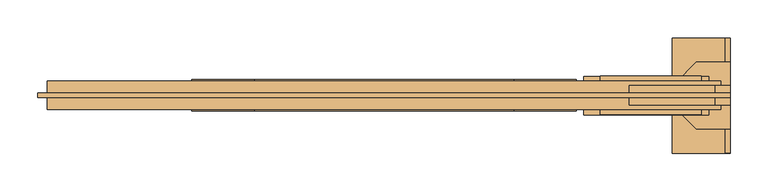
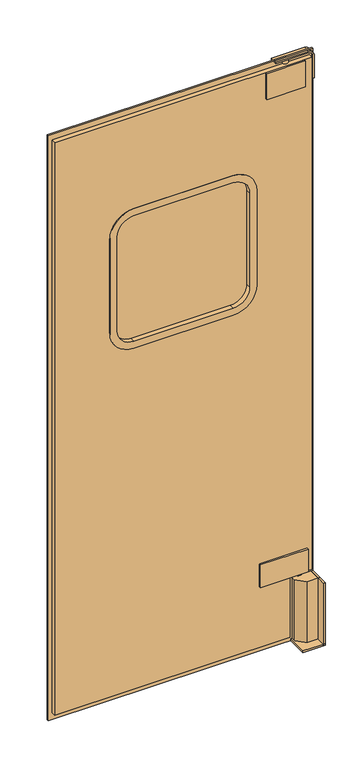
"""IFC4 building model written with IfcOpenShell, lengths in millimetres: door geometry."""

from ifc_helpers import new_model, si_unit, point, frame, frame_2d, origin, origin_with_axes, place, context, project, spatial, polyline, circle_curve, trimmed, segment, composite_curve, outline, extrude, source, transform, mapped, element, save
from ifc_brep_helpers import plane_surface, cylinder_surface, advanced_brep


def door_8594a7d0(model_context):
    return source(origin(), model_context, "Body", "SolidModel", [
        extrude(outline(polyline([(441.325, -35.2778808), (276.225, -35.2778808), (276.225, 15.5221192), (441.325, 15.5221192), (441.325, -35.2778808)])), frame((0.0, 0.0, 247.65), z_axis=(0.0, 0.0, 1.0), x_axis=(1.0, 0.0, 0.0)), (0.0, 0.0, 1.0), 82.55),
        extrude(outline(polyline([(428.625, -16.2278808), (415.925, -16.2278808), (415.925, -3.5278808), (428.625, -3.5278808), (428.625, -16.2278808)])), frame((0.0, 0.0, 228.6), z_axis=(0.0, 0.0, 1.0), x_axis=(1.0, 0.0, 0.0)), (0.0, 0.0, 1.0), 19.05),
        extrude(outline(polyline([(469.9, 34.5721192), (469.9, -54.3278808), (425.45, -54.3278808), (398.5092316, -27.3871124), (398.5092316, 7.6313509), (425.45, 34.5721192), (469.9, 34.5721192)])), origin_with_axes(), (0.0, 0.0, 1.0), 228.6),
        extrude(outline(polyline([(463.55, 66.3221192), (469.9, 66.3221192), (469.9, -86.0778808), (463.55, -86.0778808), (463.55, 66.3221192)])), origin_with_axes(), (0.0, 0.0, 1.0), 228.6),
        extrude(outline(polyline([(469.9, 66.3221192), (469.9, -86.0778808), (393.7, -86.0778808), (393.7, 66.3221192), (469.9, 66.3221192)])), origin_with_axes(), (0.0, 0.0, 1.0), 6.35),
        extrude(outline(polyline([(2133.6, 469.9), (2133.6, -444.5), (0.0, -444.5), (0.0, 469.9), (2133.6, 469.9)]), holes=[composite_curve([segment(trimmed(circle_curve(frame_2d((1695.45, -158.75)), 58.7375), [point((1695.45, -217.4875))], [point((1754.1875, -158.75))], True, "CARTESIAN"), True, "CONTINUOUS"), segment(polyline([(1754.1875, -158.75), (1754.1875, 184.15)]), True, "CONTINUOUS"), segment(trimmed(circle_curve(frame_2d((1695.45, 184.15)), 58.7375), [point((1754.1875, 184.15))], [point((1695.45, 242.8875))], True, "CARTESIAN"), True, "CONTINUOUS"), segment(polyline([(1695.45, 242.8875), (1352.55, 242.8875)]), True, "CONTINUOUS"), segment(trimmed(circle_curve(frame_2d((1352.55, 184.15)), 58.7375), [point((1352.55, 242.8875))], [point((1293.8125, 184.15))], True, "CARTESIAN"), True, "CONTINUOUS"), segment(polyline([(1293.8125, 184.15), (1293.8125, -158.75)]), True, "CONTINUOUS"), segment(trimmed(circle_curve(frame_2d((1352.55, -158.75)), 58.7375), [point((1293.8125, -158.75))], [point((1352.55, -217.4875))], True, "CARTESIAN"), True, "CONTINUOUS"), segment(polyline([(1352.55, -217.4875), (1695.45, -217.4875)]), True, "CONTINUOUS")], self_intersect=False)]), frame((0.0, -13.0528808, 0.0), z_axis=(0.0, 1.0, 0.0), x_axis=(0.0, 0.0, 1.0)), (0.0, 0.0, 1.0), 6.35),
        extrude(outline(composite_curve([segment(polyline([(1695.45, -215.9), (1352.55, -215.9)]), True, "CONTINUOUS"), segment(trimmed(circle_curve(frame_2d((1352.55, -158.75)), 57.15), [point((1352.55, -215.9))], [point((1295.4, -158.75))], False, "CARTESIAN"), True, "CONTINUOUS"), segment(polyline([(1295.4, -158.75), (1295.4, 184.15)]), True, "CONTINUOUS"), segment(trimmed(circle_curve(frame_2d((1352.55, 184.15)), 57.15), [point((1295.4, 184.15))], [point((1352.55, 241.3))], False, "CARTESIAN"), True, "CONTINUOUS"), segment(polyline([(1352.55, 241.3), (1695.45, 241.3)]), True, "CONTINUOUS"), segment(trimmed(circle_curve(frame_2d((1695.45, 184.15)), 57.15), [point((1695.45, 241.3))], [point((1752.6, 184.15))], False, "CARTESIAN"), True, "CONTINUOUS"), segment(polyline([(1752.6, 184.15), (1752.6, -158.75)]), True, "CONTINUOUS"), segment(trimmed(circle_curve(frame_2d((1695.45, -158.75)), 57.15), [point((1752.6, -158.75))], [point((1695.45, -215.9))], False, "CARTESIAN"), True, "CONTINUOUS")], self_intersect=False)), frame((0.0, -13.0528808, 0.0), z_axis=(0.0, 1.0, 0.0), x_axis=(0.0, 0.0, 1.0)), (0.0, 0.0, 1.0), 6.35),
        extrude(outline(composite_curve([segment(polyline([(1695.45, -241.3), (1352.55, -241.3)]), True, "CONTINUOUS"), segment(trimmed(circle_curve(frame_2d((1352.55, -158.75)), 82.55), [point((1352.55, -241.3))], [point((1270.0, -158.75))], False, "CARTESIAN"), True, "CONTINUOUS"), segment(polyline([(1270.0, -158.75), (1270.0, 184.15)]), True, "CONTINUOUS"), segment(trimmed(circle_curve(frame_2d((1352.55, 184.15)), 82.55), [point((1270.0, 184.15))], [point((1352.55, 266.7))], False, "CARTESIAN"), True, "CONTINUOUS"), segment(polyline([(1352.55, 266.7), (1695.45, 266.7)]), True, "CONTINUOUS"), segment(trimmed(circle_curve(frame_2d((1695.45, 184.15)), 82.55), [point((1695.45, 266.7))], [point((1778.0, 184.15))], False, "CARTESIAN"), True, "CONTINUOUS"), segment(polyline([(1778.0, 184.15), (1778.0, -158.75)]), True, "CONTINUOUS"), segment(trimmed(circle_curve(frame_2d((1695.45, -158.75)), 82.55), [point((1778.0, -158.75))], [point((1695.45, -241.3))], False, "CARTESIAN"), True, "CONTINUOUS")], self_intersect=False), holes=[composite_curve([segment(trimmed(circle_curve(frame_2d((1695.45, 184.15)), 57.15), [point((1752.6, 184.15))], [point((1695.45, 241.3))], True, "CARTESIAN"), True, "CONTINUOUS"), segment(polyline([(1695.45, 241.3), (1352.55, 241.3)]), True, "CONTINUOUS"), segment(trimmed(circle_curve(frame_2d((1352.55, 184.15)), 57.15), [point((1352.55, 241.3))], [point((1295.4, 184.15))], True, "CARTESIAN"), True, "CONTINUOUS"), segment(polyline([(1295.4, 184.15), (1295.4, -158.75)]), True, "CONTINUOUS"), segment(trimmed(circle_curve(frame_2d((1352.55, -158.75)), 57.15), [point((1295.4, -158.75))], [point((1352.55, -215.9))], True, "CARTESIAN"), True, "CONTINUOUS"), segment(polyline([(1352.55, -215.9), (1695.45, -215.9)]), True, "CONTINUOUS"), segment(trimmed(circle_curve(frame_2d((1695.45, -158.75)), 57.15), [point((1695.45, -215.9))], [point((1752.6, -158.75))], True, "CARTESIAN"), True, "CONTINUOUS"), segment(polyline([(1752.6, -158.75), (1752.6, 184.15)]), True, "CONTINUOUS")], self_intersect=False)]), frame((0.0, -30.5153808, 0.0), z_axis=(0.0, 1.0, 0.0), x_axis=(0.0, 0.0, 1.0)), (0.0, 0.0, 1.0), 41.275),
        extrude(outline(polyline([(2114.55, 457.2), (2114.55, -431.8), (25.4, -431.8), (25.4, 381.0), (247.65, 381.0), (247.65, 457.2), (2114.55, 457.2)]), holes=[composite_curve([segment(trimmed(circle_curve(frame_2d((1695.45, -158.75)), 58.7375), [point((1695.45, -217.4875))], [point((1754.1875, -158.75))], True, "CARTESIAN"), True, "CONTINUOUS"), segment(polyline([(1754.1875, -158.75), (1754.1875, 184.15)]), True, "CONTINUOUS"), segment(trimmed(circle_curve(frame_2d((1695.45, 184.15)), 58.7375), [point((1754.1875, 184.15))], [point((1695.45, 242.8875))], True, "CARTESIAN"), True, "CONTINUOUS"), segment(polyline([(1695.45, 242.8875), (1352.55, 242.8875)]), True, "CONTINUOUS"), segment(trimmed(circle_curve(frame_2d((1352.55, 184.15)), 58.7375), [point((1352.55, 242.8875))], [point((1293.8125, 184.15))], True, "CARTESIAN"), True, "CONTINUOUS"), segment(polyline([(1293.8125, 184.15), (1293.8125, -158.75)]), True, "CONTINUOUS"), segment(trimmed(circle_curve(frame_2d((1352.55, -158.75)), 58.7375), [point((1293.8125, -158.75))], [point((1352.55, -217.4875))], True, "CARTESIAN"), True, "CONTINUOUS"), segment(polyline([(1352.55, -217.4875), (1695.45, -217.4875)]), True, "CONTINUOUS")], self_intersect=False)]), frame((0.0, -28.9278808, 0.0), z_axis=(0.0, 1.0, 0.0), x_axis=(0.0, 0.0, 1.0)), (0.0, 0.0, 1.0), 38.1),
        advanced_brep(
        [(374.65, -9.8778808, 2114.55), (385.7625, -9.8778808, 2114.55), (363.5375, -9.8778808, 2114.55), (363.5375, -9.8778808, 2128.8375), (385.7625, -9.8778808, 2128.8375), (374.65, -9.8778808, 2128.8375)],
        [
            (0, 1),
            (1, 2, circle_curve(frame((374.65, -9.8778808, 2114.55), z_axis=(0.0, 0.0, -1.0), x_axis=(1.0, 0.0, 0.0)), 11.1125)),
            (2, 0),
            (2, 1, circle_curve(frame((374.65, -9.8778808, 2114.55), z_axis=(0.0, 0.0, -1.0), x_axis=(1.0, 0.0, 0.0)), 11.1125)),
            (3, 4, circle_curve(frame((374.65, -9.8778808, 2128.8375), z_axis=(0.0, 0.0, 1.0), x_axis=(1.0, 0.0, 0.0)), 11.1125)),
            (4, 5),
            (5, 3),
            (4, 3, circle_curve(frame((374.65, -9.8778808, 2128.8375), z_axis=(0.0, 0.0, 1.0), x_axis=(1.0, 0.0, 0.0)), 11.1125)),
            (1, 4),
            (3, 2),
        ],
        [
            plane_surface(frame((374.65, -9.8778808, 2114.55), z_axis=(0.0, 0.0, -1.0), x_axis=(1.0, 0.0, 0.0))),
            plane_surface(frame((374.65, -9.8778808, 2128.8375), z_axis=(0.0, 0.0, 1.0), x_axis=(1.0, 0.0, 0.0))),
            cylinder_surface(frame((374.65, -9.8778808, -41.502018), z_axis=(0.0, 0.0, -1.0), x_axis=(1.0, 0.0, 0.0)), 11.1125),
        ],
        [
            (0, [[1, 2, 3]]),
            (0, [[-3, 4, -1]]),
            (1, [[5, 6, 7]]),
            (1, [[8, -7, -6]]),
            (2, [[-2, 9, -5, 10]]),
            (2, [[-4, -10, -8, -9]]),
        ],
    ),
        extrude(outline(polyline([(298.1767319, 15.5221192), (431.7148798, 15.5221192), (431.7148798, -35.2778808), (298.1767319, -35.2778808), (298.1767319, 15.5221192)])), frame((0.0, 0.0, 2019.3), z_axis=(0.0, 0.0, 1.0), x_axis=(1.0, 0.0, 0.0)), (0.0, 0.0, 1.0), 95.25),
        extrude(outline(composite_curve([segment(polyline([(2133.6, 336.55), (2128.8375, 336.55), (2128.8375, 449.2625)]), True, "CONTINUOUS"), segment(trimmed(circle_curve(frame_2d((2112.9625, 449.2625)), 15.875), [point((2128.8375, 449.2625))], [point((2112.9625, 465.1375))], True, "CARTESIAN"), True, "CONTINUOUS"), segment(polyline([(2112.9625, 465.1375), (2032.0, 465.1375), (2032.0, 469.9), (2112.9625, 469.9)]), True, "CONTINUOUS"), segment(trimmed(circle_curve(frame_2d((2112.9625, 449.2625)), 20.6375), [point((2112.9625, 469.9))], [point((2133.6, 449.2625))], False, "CARTESIAN"), True, "CONTINUOUS"), segment(polyline([(2133.6, 449.2625), (2133.6, 336.55)]), True, "CONTINUOUS")], self_intersect=False)), frame((0.0, -22.5778808, 0.0), z_axis=(0.0, 1.0, 0.0), x_axis=(0.0, 0.0, 1.0)), (0.0, 0.0, 1.0), 25.4),
    ])


if __name__ == "__main__":
    model = new_model("IFC4")
    model_context = context("Model", 3, world=origin())
    ifc_project = project(units=[si_unit("LENGTHUNIT", "METRE", prefix="MILLI")], contexts=[model_context])
    site = spatial("IfcSite", under=ifc_project)
    building = spatial("IfcBuilding", under=site)
    placement = place(None, origin())
    door_shape = door_8594a7d0(model_context)
    element("IfcDoor", 1, at=placement, inside=building, context=model_context, shape_type="MappedRepresentation", body=[
        mapped(door_shape, transform((0.0, 0.0, 0.0), x_axis=(1.0, 0.0, 0.0), y_axis=(0.0, 1.0, 0.0), z_axis=(0.0, 0.0, 1.0))),
    ])
    save(model, "model.ifc")
